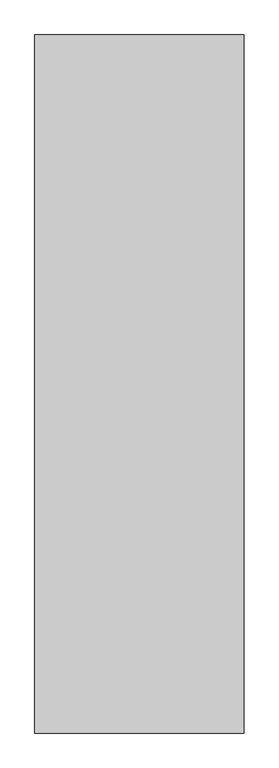
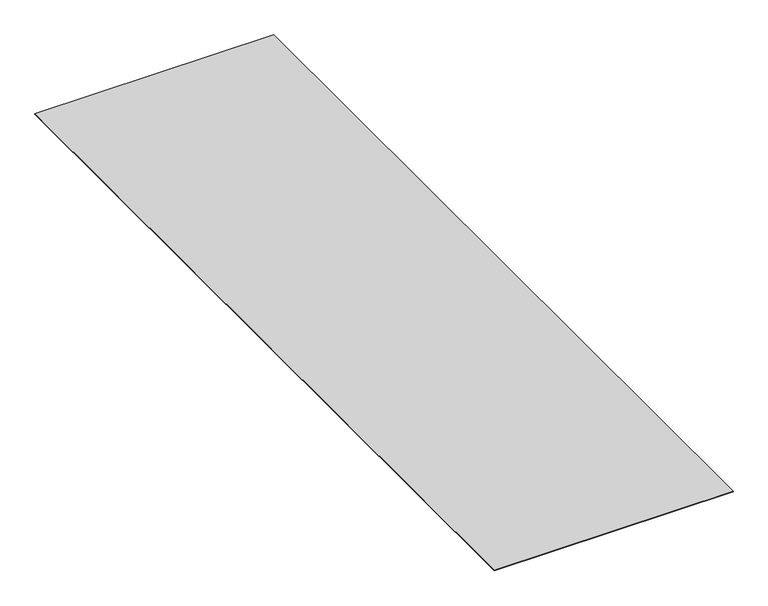
"""IFC4 building model written with IfcOpenShell, lengths in millimetres: proxy geometry."""

from ifc_helpers import new_model, si_unit, origin, origin_with_axes, place, context, project, spatial, polyline, outline, extrude, source, transform, mapped, element, save


def generic_models_86cccb07(model_context):
    return source(origin(), model_context, "Body", "SweptSolid", [
        extrude(outline(polyline([(6000.0, -20000.0), (0.0, -20000.0), (0.0, 0.0), (6000.0, 0.0), (6000.0, -20000.0)])), origin_with_axes(), (0.0, 0.0, 1.0), 10.0),
    ])


if __name__ == "__main__":
    model = new_model("IFC4")
    model_context = context("Model", 3, world=origin())
    ifc_project = project(units=[si_unit("LENGTHUNIT", "METRE", prefix="MILLI")], contexts=[model_context])
    site = spatial("IfcSite", under=ifc_project)
    building = spatial("IfcBuilding", under=site)
    placement = place(None, origin())
    generic_models_shape = generic_models_86cccb07(model_context)
    element("IfcBuildingElementProxy", 1, Name="Generic Models", at=placement, inside=building, context=model_context, shape_type="MappedRepresentation", body=[
        mapped(generic_models_shape, transform((0.0, 0.0, 0.0), x_axis=(1.0, 0.0, 0.0), y_axis=(0.0, 1.0, 0.0), z_axis=(0.0, 0.0, 1.0))),
    ])
    save(model, "model.ifc")
